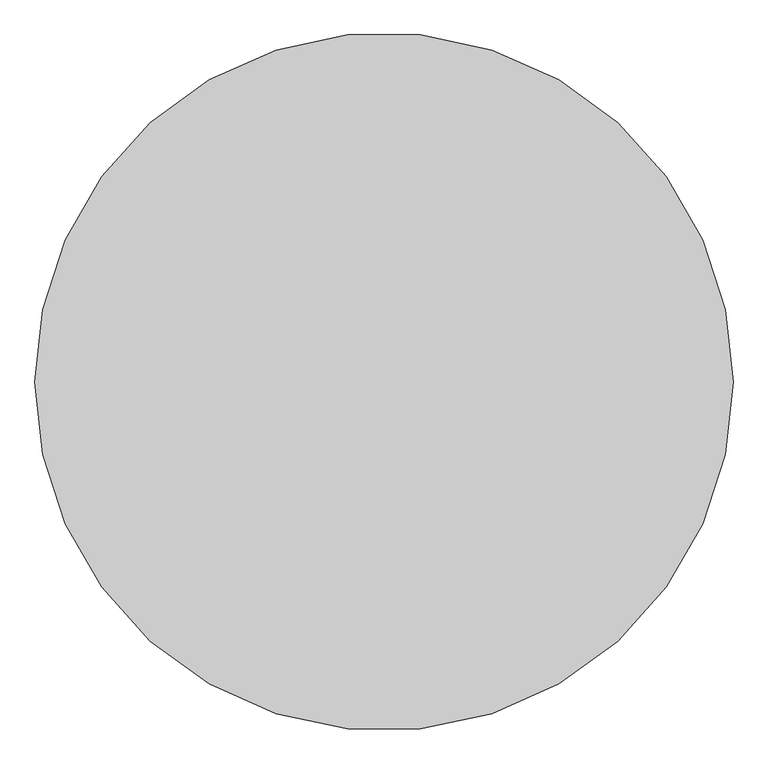
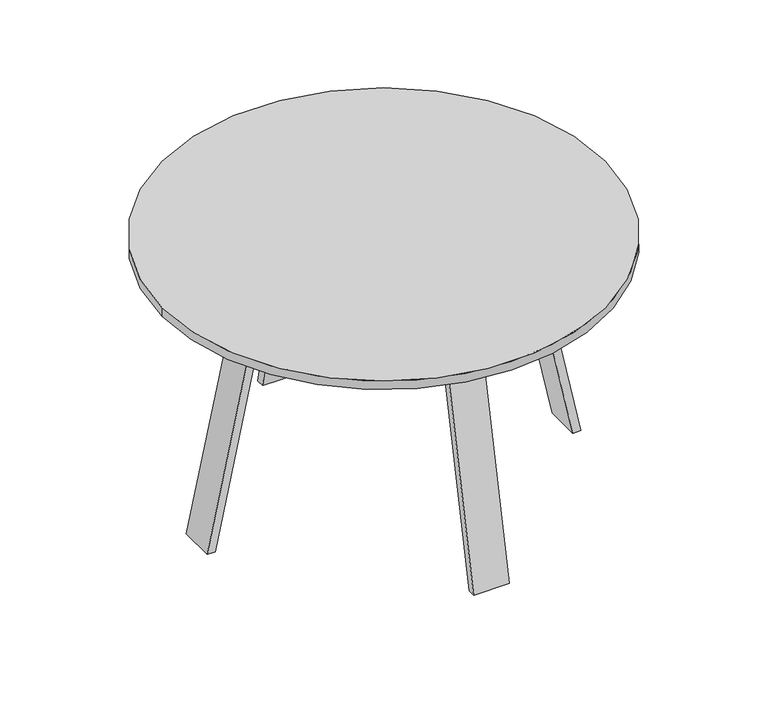
"""IFC4 building model written with IfcOpenShell, lengths in millimetres: furniture geometry."""

from ifc_helpers import new_model, si_unit, point, frame, frame_2d, origin, place, context, project, spatial, polyline, circle_curve, trimmed, segment, composite_curve, outline, extrude, source, transform, mapped, element, save


def furniture_a3223d51(model_context):
    return source(origin(), model_context, "Body", "SweptSolid", [
        extrude(outline(polyline([(-353.5108247, 711.2), (-34.0436127, 711.2), (-34.0436127, 630.7335937), (-370.6144874, 630.7335938), (-353.5108247, 711.2)])), frame((-30.0136719, 0.0, 0.0), z_axis=(1.0, 0.0, 0.0), x_axis=(0.0, 1.0, 0.0)), (0.0, 0.0, 1.0), 60.0273438),
        extrude(outline(polyline([(345.4509432, 711.2), (362.5546058, 630.7335938), (25.9837311, 630.7335937), (25.9837311, 711.2), (345.4509432, 711.2)])), frame((-30.0136719, 0.0, 0.0), z_axis=(1.0, 0.0, 0.0), x_axis=(0.0, 1.0, 0.0)), (0.0, 0.0, 1.0), 60.0273438),
        extrude(outline(polyline([(-355.3569134, 711.2), (-506.5271401, 0.0), (-529.0186089, 0.0), (-377.8483823, 711.2), (-355.3569134, 711.2)])), frame((-50.00625, 0.0, 0.0), z_axis=(1.0, 0.0, 0.0), x_axis=(0.0, 1.0, 0.0)), (0.0, 0.0, 1.0), 100.0125),
        extrude(outline(polyline([(347.2970319, 711.2), (369.7885007, 711.2), (520.9587274, 0.0), (498.4672585, 0.0), (347.2970319, 711.2)])), frame((-50.00625, 0.0, 0.0), z_axis=(1.0, 0.0, 0.0), x_axis=(0.0, 1.0, 0.0)), (0.0, 0.0, 1.0), 100.0125),
        extrude(outline(polyline([(630.7335937, -366.5845466), (630.7335937, 366.5845466), (711.2, 349.4820547), (711.2, -349.4820547), (630.7335937, -366.5845466)])), frame((0.0, -34.0436127, 0.0), z_axis=(0.0, 1.0, 0.0), x_axis=(0.0, 0.0, 1.0)), (0.0, 0.0, 1.0), 60.0273437),
        extrude(outline(polyline([(0.0, -502.4971993), (711.2, -351.3269726), (711.2, -373.8184415), (0.0, -524.9886682), (0.0, -502.4971993)])), frame((0.0, -54.0361908, 0.0), z_axis=(0.0, 1.0, 0.0), x_axis=(0.0, 0.0, 1.0)), (0.0, 0.0, 1.0), 100.0054828),
        extrude(outline(polyline([(0.0, 502.4971993), (0.0, 524.9886682), (711.2, 373.8184415), (711.2, 351.3269726), (0.0, 502.4971993)])), frame((0.0, -54.0361908, 0.0), z_axis=(0.0, 1.0, 0.0), x_axis=(0.0, 0.0, 1.0)), (0.0, 0.0, 1.0), 100.0054828),
        extrude(outline(composite_curve([segment(trimmed(circle_curve(frame_2d((0.0, -4.0299408)), 622.3), [point((-622.3, -4.0299408))], [point((622.3, -4.0299408))], False, "CARTESIAN"), True, "CONTINUOUS"), segment(trimmed(circle_curve(frame_2d((0.0, -4.0299408)), 622.3), [point((622.3, -4.0299408))], [point((-622.3, -4.0299408))], False, "CARTESIAN"), True, "CONTINUOUS")], self_intersect=False)), frame((0.0, 0.0, 711.2), z_axis=(0.0, 0.0, 1.0), x_axis=(1.0, 0.0, 0.0)), (0.0, 0.0, 1.0), 25.4),
    ])


if __name__ == "__main__":
    model = new_model("IFC4")
    model_context = context("Model", 3, world=origin())
    ifc_project = project(units=[si_unit("LENGTHUNIT", "METRE", prefix="MILLI")], contexts=[model_context])
    site = spatial("IfcSite", under=ifc_project)
    building = spatial("IfcBuilding", under=site)
    placement = place(None, origin())
    furniture_shape = furniture_a3223d51(model_context)
    element("IfcFurniture", 1, at=placement, inside=building, context=model_context, shape_type="MappedRepresentation", body=[
        mapped(furniture_shape, transform((0.0, 0.0, 0.0), x_axis=(1.0, 0.0, 0.0), y_axis=(0.0, 1.0, 0.0), z_axis=(0.0, 0.0, 1.0))),
    ])
    save(model, "model.ifc")
